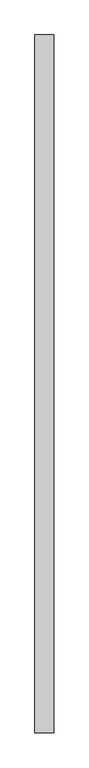
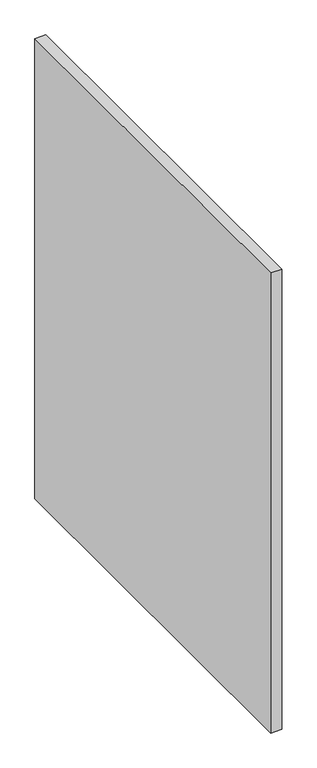
"""IFC4 building model written with IfcOpenShell, lengths in millimetres: proxy geometry."""

import ifcopenshell
import ifcopenshell.guid

model = None  # the IFC model being written
_history = None  # IfcOwnerHistory: only IFC2X3 demands one
_inside = {}  # id of a spatial element -> (the spatial element, [elements in it])
_under = {}  # id of a project, library or spatial element -> (it, [spatial elements below it])
_declared = {}  # id of a project -> (the project, [libraries it declares])
_typed = {}  # id of a type object -> (the type object, [elements of that type])
_made_of = {}  # id of a material, layer set ... -> (it, [elements and type objects made of it])


def new_model(schema):
    """Start an empty IFC model of exactly this schema.

    Asked for "IFC4X3", IfcOpenShell would pick the latest addendum, in which some entities
    have other attributes; the version numbers below select the first issue.
    IFC2X3 requires an IfcOwnerHistory on every rooted entity: one is made here for all.
    """
    global model, _history
    if schema == "IFC4X3":
        model = ifcopenshell.file(schema_version=(4, 3, 0, 0))
    else:
        model = ifcopenshell.file(schema=schema)
    _inside.clear()
    _under.clear()
    _declared.clear()
    _typed.clear()
    _made_of.clear()
    _history = None
    if model.schema == "IFC2X3":
        org = make("IfcOrganization", Name="unknown")
        user = make(
            "IfcPersonAndOrganization",
            ThePerson=make("IfcPerson", FamilyName="unknown"),
            TheOrganization=org,
        )
        app = make(
            "IfcApplication",
            ApplicationDeveloper=org,
            Version="unknown",
            ApplicationFullName="unknown",
            ApplicationIdentifier="unknown",
        )
        _history = make(
            "IfcOwnerHistory",
            OwningUser=user,
            OwningApplication=app,
            ChangeAction="ADDED",
            CreationDate=0,
        )
    return model


def make(cls, **values):
    """One entity of the class cls with the attributes given. An attribute that is None is left unset."""
    return model.create_entity(
        cls, **{name: value for name, value in values.items() if value is not None}
    )


def rooted(cls, **values):
    """An entity with a GlobalId (a new one), such as an element, a storey or a relation."""
    return make(cls, GlobalId=ifcopenshell.guid.new(), OwnerHistory=_history, **values)


def si_unit(unit_type, name, prefix=None):
    """IfcSIUnit, for example si_unit("LENGTHUNIT", "METRE", prefix="MILLI")."""
    return make("IfcSIUnit", UnitType=unit_type, Prefix=prefix, Name=name)


def assignment(units):
    """IfcUnitAssignment: the units of a project."""
    return None if units is None else make("IfcUnitAssignment", Units=units)


def point(xyz):
    """IfcCartesianPoint."""
    return None if xyz is None else make("IfcCartesianPoint", Coordinates=xyz)


def direction(xyz):
    """IfcDirection."""
    return None if xyz is None else make("IfcDirection", DirectionRatios=xyz)


def frame(location, z_axis=None, x_axis=None):
    """IfcAxis2Placement3D, a coordinate frame: its origin and axes. An axis left out is left unset."""
    return make(
        "IfcAxis2Placement3D",
        Location=point(location),
        Axis=direction(z_axis),
        RefDirection=direction(x_axis),
    )


def origin():
    """The frame at (0, 0, 0) with its axes left unset."""
    return frame((0.0, 0.0, 0.0))


def origin_with_axes():
    """The frame at (0, 0, 0) with the z axis (0, 0, 1) and the x axis (1, 0, 0) written out."""
    return frame((0.0, 0.0, 0.0), z_axis=(0.0, 0.0, 1.0), x_axis=(1.0, 0.0, 0.0))


def place(relative_to, where):
    """IfcLocalPlacement: puts the frame where relative to a parent placement (None: the world)."""
    return make(
        "IfcLocalPlacement", PlacementRelTo=relative_to, RelativePlacement=where
    )


def context(
    kind, dimensions, precision=None, world=None, true_north=None, identifier=None
):
    """IfcGeometricRepresentationContext, for example the 3D "Model" context."""
    return make(
        "IfcGeometricRepresentationContext",
        ContextIdentifier=identifier,
        ContextType=kind,
        CoordinateSpaceDimension=dimensions,
        Precision=precision,
        WorldCoordinateSystem=world,
        TrueNorth=true_north,
    )


def project(units=None, contexts=None):
    """IfcProject with its units and contexts."""
    return rooted(
        "IfcProject",
        Name="project",
        RepresentationContexts=contexts,
        UnitsInContext=assignment(units),
    )


def spatial(cls, under=None, at=None, **own):
    """A site, building, storey or space (cls), placed at a placement, below another one or the project."""
    s = rooted(cls, ObjectPlacement=at, **own)
    if under is not None:
        _under.setdefault(under.id(), (under, []))[1].append(s)
    return s


def polyline(points):
    """IfcPolyline through the points."""
    return make("IfcPolyline", Points=[point(p) for p in points])


def outline(outer, holes=None, kind="AREA"):
    """IfcArbitraryClosedProfileDef: a profile drawn as a closed curve; with holes, ...WithVoids."""
    if holes is None:
        return make("IfcArbitraryClosedProfileDef", ProfileType=kind, OuterCurve=outer)
    return make(
        "IfcArbitraryProfileDefWithVoids",
        ProfileType=kind,
        OuterCurve=outer,
        InnerCurves=holes,
    )


def extrude(swept, where, along, depth):
    """IfcExtrudedAreaSolid: the profile swept, set in the frame where, extruded along a direction by depth."""
    return make(
        "IfcExtrudedAreaSolid",
        SweptArea=swept,
        Position=where,
        ExtrudedDirection=direction(along),
        Depth=depth,
    )


def shape(context_of_items, identifier, shape_type, items):
    """IfcShapeRepresentation: the items that make up one representation, for example the "Body"."""
    return make(
        "IfcShapeRepresentation",
        ContextOfItems=context_of_items,
        RepresentationIdentifier=identifier,
        RepresentationType=shape_type,
        Items=items,
    )


def source(mapping_origin, context_of_items, identifier, shape_type, items):
    """IfcRepresentationMap: a shape defined once, which mapped items show again and again."""
    return make(
        "IfcRepresentationMap",
        MappingOrigin=mapping_origin,
        MappedRepresentation=shape(context_of_items, identifier, shape_type, items),
    )


def transform(
    local_origin,
    x_axis=None,
    y_axis=None,
    z_axis=None,
    scale=None,
    scale2=None,
    scale3=None,
    uniform=True,
):
    """IfcCartesianTransformationOperator3D, or its non-uniform kind. x_axis, y_axis, z_axis: its Axis1, 2, 3."""
    if uniform:
        return make(
            "IfcCartesianTransformationOperator3D",
            Axis1=direction(x_axis),
            Axis2=direction(y_axis),
            LocalOrigin=point(local_origin),
            Scale=scale,
            Axis3=direction(z_axis),
        )
    return make(
        "IfcCartesianTransformationOperator3DnonUniform",
        Axis1=direction(x_axis),
        Axis2=direction(y_axis),
        LocalOrigin=point(local_origin),
        Scale=scale,
        Axis3=direction(z_axis),
        Scale2=scale2,
        Scale3=scale3,
    )


def mapped(mapping_source, mapping_target):
    """IfcMappedItem: shows the shape of a source again, moved by a transform."""
    return make(
        "IfcMappedItem", MappingSource=mapping_source, MappingTarget=mapping_target
    )


def made_of(thing, what):
    """Note that an element or type object is made of a material, layer set ...; save() writes the relation."""
    if what is not None:
        _made_of.setdefault(what.id(), (what, []))[1].append(thing)
    return thing


def element(
    cls,
    number,
    at=None,
    inside=None,
    cuts=None,
    type_object=None,
    material=None,
    context=None,
    identifier="Body",
    shape_type=None,
    held_by="IfcProductDefinitionShape",
    body=None,
    shapes=None,
    **own,
):
    """One element of the class cls, such as IfcWall. Its Tag is "e" and its number.

    at: its placement. inside: the storey or other place that contains it. cuts: it is an
    opening in that element (IfcRelVoidsElement). A single representation is given by context,
    identifier, shape_type and body (its items); several are given by shapes. held_by: the class
    of the entity that holds the representations. save() writes the other relations.
    """
    e = rooted(cls, Tag="e%d" % number, ObjectPlacement=at, **own)
    if body is not None:
        shapes = [shape(context, identifier, shape_type, body)]
    if shapes is not None:
        e.Representation = make(held_by, Representations=shapes)
    if inside is not None:
        _inside.setdefault(inside.id(), (inside, []))[1].append(e)
    if cuts is not None:
        rooted(
            "IfcRelVoidsElement", RelatingBuildingElement=cuts, RelatedOpeningElement=e
        )
    if type_object is not None:
        _typed.setdefault(type_object.id(), (type_object, []))[1].append(e)
    return made_of(e, material)


def aggregate(whole, parts):
    """IfcRelAggregates: a whole, such as a stair, and the parts it consists of."""
    return rooted("IfcRelAggregates", RelatingObject=whole, RelatedObjects=parts)


def save(model, path):
    """Write the relations noted so far, then the file.

    IfcRelAggregates (storeys below a building ...), IfcRelContainedInSpatialStructure (elements
    in a storey), IfcRelDefinesByType, IfcRelAssociatesMaterial and IfcRelDeclares: one each for
    every whole, place, type object, material and project.
    """
    for whole, parts in _under.values():
        aggregate(whole, parts)
    for where, things in _inside.values():
        rooted(
            "IfcRelContainedInSpatialStructure",
            RelatedElements=things,
            RelatingStructure=where,
        )
    for kind, things in _typed.values():
        rooted("IfcRelDefinesByType", RelatedObjects=things, RelatingType=kind)
    for what, things in _made_of.values():
        rooted("IfcRelAssociatesMaterial", RelatedObjects=things, RelatingMaterial=what)
    for by, libraries in _declared.values():
        rooted("IfcRelDeclares", RelatingContext=by, RelatedDefinitions=libraries)
    model.write(path)


def generic_models_1003f906(model_context):
    return source(origin(), model_context, "Body", "SweptSolid", [
        extrude(outline(polyline([(70.0, -2600.0), (0.0, -2600.0), (0.0, 0.0), (70.0, 0.0), (70.0, -2600.0)])), origin_with_axes(), (0.0, 0.0, 1.0), 3100.0),
    ])


if __name__ == "__main__":
    model = new_model("IFC4")
    model_context = context("Model", 3, world=origin())
    ifc_project = project(units=[si_unit("LENGTHUNIT", "METRE", prefix="MILLI")], contexts=[model_context])
    site = spatial("IfcSite", under=ifc_project)
    building = spatial("IfcBuilding", under=site)
    placement = place(None, origin())
    generic_models_shape = generic_models_1003f906(model_context)
    element("IfcBuildingElementProxy", 1, Name="Generic Models", at=placement, inside=building, context=model_context, shape_type="MappedRepresentation", body=[
        mapped(generic_models_shape, transform((0.0, 0.0, 0.0), x_axis=(1.0, 0.0, 0.0), y_axis=(0.0, 1.0, 0.0), z_axis=(0.0, 0.0, 1.0))),
    ])
    save(model, "model.ifc")
